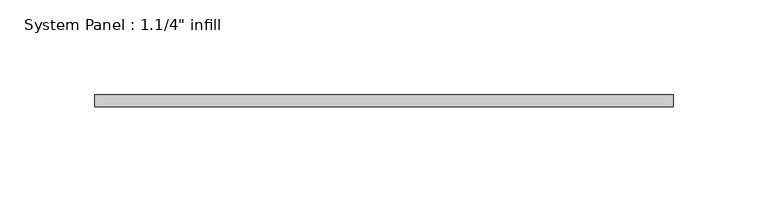
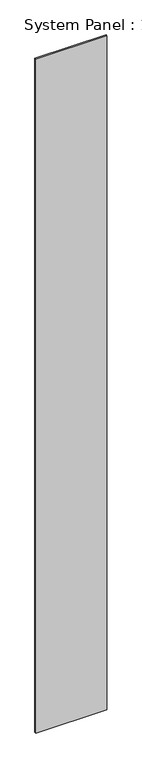
"""IFC4 building model written with IfcOpenShell, lengths in millimetres: plate geometry."""

import ifcopenshell
import ifcopenshell.guid

model = None  # the IFC model being written
_history = None  # IfcOwnerHistory: only IFC2X3 demands one
_inside = {}  # id of a spatial element -> (the spatial element, [elements in it])
_under = {}  # id of a project, library or spatial element -> (it, [spatial elements below it])
_declared = {}  # id of a project -> (the project, [libraries it declares])
_typed = {}  # id of a type object -> (the type object, [elements of that type])
_made_of = {}  # id of a material, layer set ... -> (it, [elements and type objects made of it])


def new_model(schema):
    """Start an empty IFC model of exactly this schema.

    Asked for "IFC4X3", IfcOpenShell would pick the latest addendum, in which some entities
    have other attributes; the version numbers below select the first issue.
    IFC2X3 requires an IfcOwnerHistory on every rooted entity: one is made here for all.
    """
    global model, _history
    if schema == "IFC4X3":
        model = ifcopenshell.file(schema_version=(4, 3, 0, 0))
    else:
        model = ifcopenshell.file(schema=schema)
    _inside.clear()
    _under.clear()
    _declared.clear()
    _typed.clear()
    _made_of.clear()
    _history = None
    if model.schema == "IFC2X3":
        org = make("IfcOrganization", Name="unknown")
        user = make(
            "IfcPersonAndOrganization",
            ThePerson=make("IfcPerson", FamilyName="unknown"),
            TheOrganization=org,
        )
        app = make(
            "IfcApplication",
            ApplicationDeveloper=org,
            Version="unknown",
            ApplicationFullName="unknown",
            ApplicationIdentifier="unknown",
        )
        _history = make(
            "IfcOwnerHistory",
            OwningUser=user,
            OwningApplication=app,
            ChangeAction="ADDED",
            CreationDate=0,
        )
    return model


def make(cls, **values):
    """One entity of the class cls with the attributes given. An attribute that is None is left unset."""
    return model.create_entity(
        cls, **{name: value for name, value in values.items() if value is not None}
    )


def rooted(cls, **values):
    """An entity with a GlobalId (a new one), such as an element, a storey or a relation."""
    return make(cls, GlobalId=ifcopenshell.guid.new(), OwnerHistory=_history, **values)


def si_unit(unit_type, name, prefix=None):
    """IfcSIUnit, for example si_unit("LENGTHUNIT", "METRE", prefix="MILLI")."""
    return make("IfcSIUnit", UnitType=unit_type, Prefix=prefix, Name=name)


def assignment(units):
    """IfcUnitAssignment: the units of a project."""
    return None if units is None else make("IfcUnitAssignment", Units=units)


def point(xyz):
    """IfcCartesianPoint."""
    return None if xyz is None else make("IfcCartesianPoint", Coordinates=xyz)


def direction(xyz):
    """IfcDirection."""
    return None if xyz is None else make("IfcDirection", DirectionRatios=xyz)


def frame(location, z_axis=None, x_axis=None):
    """IfcAxis2Placement3D, a coordinate frame: its origin and axes. An axis left out is left unset."""
    return make(
        "IfcAxis2Placement3D",
        Location=point(location),
        Axis=direction(z_axis),
        RefDirection=direction(x_axis),
    )


def origin():
    """The frame at (0, 0, 0) with its axes left unset."""
    return frame((0.0, 0.0, 0.0))


def origin_with_axes():
    """The frame at (0, 0, 0) with the z axis (0, 0, 1) and the x axis (1, 0, 0) written out."""
    return frame((0.0, 0.0, 0.0), z_axis=(0.0, 0.0, 1.0), x_axis=(1.0, 0.0, 0.0))


def place(relative_to, where):
    """IfcLocalPlacement: puts the frame where relative to a parent placement (None: the world)."""
    return make(
        "IfcLocalPlacement", PlacementRelTo=relative_to, RelativePlacement=where
    )


def context(
    kind, dimensions, precision=None, world=None, true_north=None, identifier=None
):
    """IfcGeometricRepresentationContext, for example the 3D "Model" context."""
    return make(
        "IfcGeometricRepresentationContext",
        ContextIdentifier=identifier,
        ContextType=kind,
        CoordinateSpaceDimension=dimensions,
        Precision=precision,
        WorldCoordinateSystem=world,
        TrueNorth=true_north,
    )


def project(units=None, contexts=None):
    """IfcProject with its units and contexts."""
    return rooted(
        "IfcProject",
        Name="project",
        RepresentationContexts=contexts,
        UnitsInContext=assignment(units),
    )


def spatial(cls, under=None, at=None, **own):
    """A site, building, storey or space (cls), placed at a placement, below another one or the project."""
    s = rooted(cls, ObjectPlacement=at, **own)
    if under is not None:
        _under.setdefault(under.id(), (under, []))[1].append(s)
    return s


def polyline(points):
    """IfcPolyline through the points."""
    return make("IfcPolyline", Points=[point(p) for p in points])


def outline(outer, holes=None, kind="AREA"):
    """IfcArbitraryClosedProfileDef: a profile drawn as a closed curve; with holes, ...WithVoids."""
    if holes is None:
        return make("IfcArbitraryClosedProfileDef", ProfileType=kind, OuterCurve=outer)
    return make(
        "IfcArbitraryProfileDefWithVoids",
        ProfileType=kind,
        OuterCurve=outer,
        InnerCurves=holes,
    )


def extrude(swept, where, along, depth):
    """IfcExtrudedAreaSolid: the profile swept, set in the frame where, extruded along a direction by depth."""
    return make(
        "IfcExtrudedAreaSolid",
        SweptArea=swept,
        Position=where,
        ExtrudedDirection=direction(along),
        Depth=depth,
    )


def shape(context_of_items, identifier, shape_type, items):
    """IfcShapeRepresentation: the items that make up one representation, for example the "Body"."""
    return make(
        "IfcShapeRepresentation",
        ContextOfItems=context_of_items,
        RepresentationIdentifier=identifier,
        RepresentationType=shape_type,
        Items=items,
    )


def source(mapping_origin, context_of_items, identifier, shape_type, items):
    """IfcRepresentationMap: a shape defined once, which mapped items show again and again."""
    return make(
        "IfcRepresentationMap",
        MappingOrigin=mapping_origin,
        MappedRepresentation=shape(context_of_items, identifier, shape_type, items),
    )


def transform(
    local_origin,
    x_axis=None,
    y_axis=None,
    z_axis=None,
    scale=None,
    scale2=None,
    scale3=None,
    uniform=True,
):
    """IfcCartesianTransformationOperator3D, or its non-uniform kind. x_axis, y_axis, z_axis: its Axis1, 2, 3."""
    if uniform:
        return make(
            "IfcCartesianTransformationOperator3D",
            Axis1=direction(x_axis),
            Axis2=direction(y_axis),
            LocalOrigin=point(local_origin),
            Scale=scale,
            Axis3=direction(z_axis),
        )
    return make(
        "IfcCartesianTransformationOperator3DnonUniform",
        Axis1=direction(x_axis),
        Axis2=direction(y_axis),
        LocalOrigin=point(local_origin),
        Scale=scale,
        Axis3=direction(z_axis),
        Scale2=scale2,
        Scale3=scale3,
    )


def mapped(mapping_source, mapping_target):
    """IfcMappedItem: shows the shape of a source again, moved by a transform."""
    return make(
        "IfcMappedItem", MappingSource=mapping_source, MappingTarget=mapping_target
    )


def made_of(thing, what):
    """Note that an element or type object is made of a material, layer set ...; save() writes the relation."""
    if what is not None:
        _made_of.setdefault(what.id(), (what, []))[1].append(thing)
    return thing


def element(
    cls,
    number,
    at=None,
    inside=None,
    cuts=None,
    type_object=None,
    material=None,
    context=None,
    identifier="Body",
    shape_type=None,
    held_by="IfcProductDefinitionShape",
    body=None,
    shapes=None,
    **own,
):
    """One element of the class cls, such as IfcWall. Its Tag is "e" and its number.

    at: its placement. inside: the storey or other place that contains it. cuts: it is an
    opening in that element (IfcRelVoidsElement). A single representation is given by context,
    identifier, shape_type and body (its items); several are given by shapes. held_by: the class
    of the entity that holds the representations. save() writes the other relations.
    """
    e = rooted(cls, Tag="e%d" % number, ObjectPlacement=at, **own)
    if body is not None:
        shapes = [shape(context, identifier, shape_type, body)]
    if shapes is not None:
        e.Representation = make(held_by, Representations=shapes)
    if inside is not None:
        _inside.setdefault(inside.id(), (inside, []))[1].append(e)
    if cuts is not None:
        rooted(
            "IfcRelVoidsElement", RelatingBuildingElement=cuts, RelatedOpeningElement=e
        )
    if type_object is not None:
        _typed.setdefault(type_object.id(), (type_object, []))[1].append(e)
    return made_of(e, material)


def aggregate(whole, parts):
    """IfcRelAggregates: a whole, such as a stair, and the parts it consists of."""
    return rooted("IfcRelAggregates", RelatingObject=whole, RelatedObjects=parts)


def save(model, path):
    """Write the relations noted so far, then the file.

    IfcRelAggregates (storeys below a building ...), IfcRelContainedInSpatialStructure (elements
    in a storey), IfcRelDefinesByType, IfcRelAssociatesMaterial and IfcRelDeclares: one each for
    every whole, place, type object, material and project.
    """
    for whole, parts in _under.values():
        aggregate(whole, parts)
    for where, things in _inside.values():
        rooted(
            "IfcRelContainedInSpatialStructure",
            RelatedElements=things,
            RelatingStructure=where,
        )
    for kind, things in _typed.values():
        rooted("IfcRelDefinesByType", RelatedObjects=things, RelatingType=kind)
    for what, things in _made_of.values():
        rooted("IfcRelAssociatesMaterial", RelatedObjects=things, RelatingMaterial=what)
    for by, libraries in _declared.values():
        rooted("IfcRelDeclares", RelatingContext=by, RelatedDefinitions=libraries)
    model.write(path)


def plate_33c5a801(model_context):
    return source(origin(), model_context, "Body", "SweptSolid", [
        extrude(outline(polyline([(152.4, -0.0992187), (-152.4, -0.0992187), (-152.4, 6.2507813), (152.4, 6.2507813), (152.4, -0.0992187)])), origin_with_axes(), (0.0, 0.0, 1.0), 3048.0),
    ])


if __name__ == "__main__":
    model = new_model("IFC4")
    model_context = context("Model", 3, world=origin())
    ifc_project = project(units=[si_unit("LENGTHUNIT", "METRE", prefix="MILLI")], contexts=[model_context])
    site = spatial("IfcSite", under=ifc_project)
    building = spatial("IfcBuilding", under=site)
    placement = place(None, origin())
    plate_shape = plate_33c5a801(model_context)
    element("IfcPlate", 1, ObjectType="System Panel : 1.1/4\" infill", at=placement, inside=building, context=model_context, shape_type="MappedRepresentation", body=[
        mapped(plate_shape, transform((0.0, 0.0, 0.0), x_axis=(1.0, 0.0, 0.0), y_axis=(0.0, 1.0, 0.0), z_axis=(0.0, 0.0, 1.0))),
    ])
    save(model, "model.ifc")
